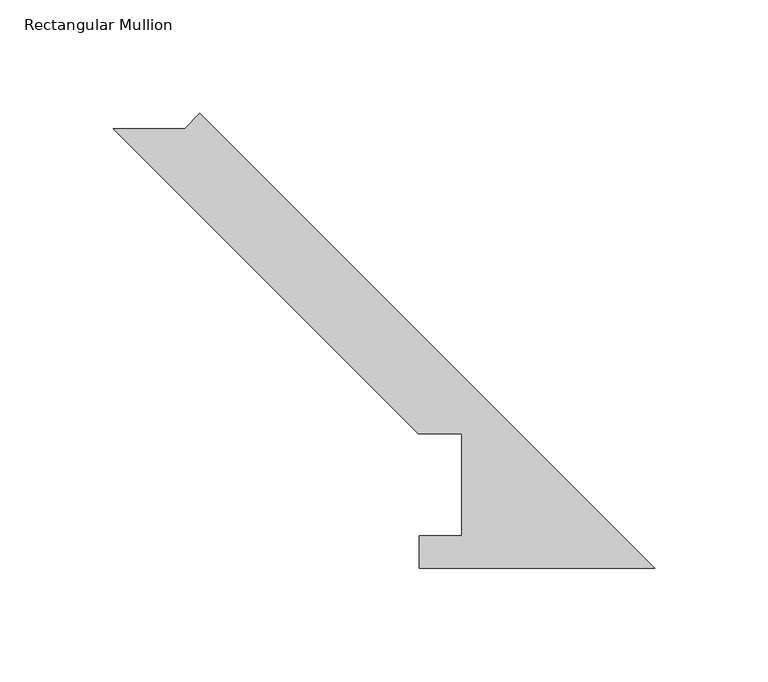
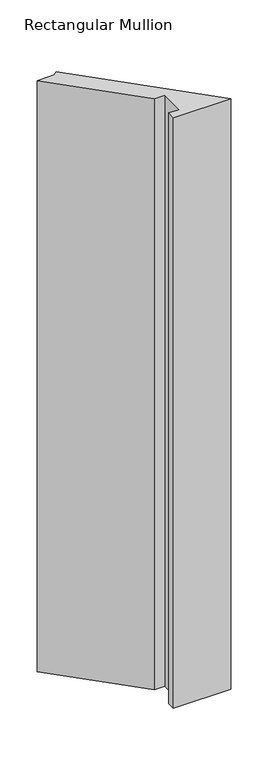
"""IFC4 building model written with IfcOpenShell, lengths in millimetres: member geometry, Rectangular Mullion."""

from ifc_helpers import new_model, si_unit, frame, origin, place, context, project, spatial, polyline, outline, extrude, source, transform, mapped, element, save


def rectangular_mullion_5f35a14f(model_context):
    return source(origin(), model_context, "Body", "SweptSolid", [
        extrude(outline(polyline([(0.0, 0.186986), (-103.8932205, 0.186986), (-103.8932205, 14.436386), (-85.1955446, 14.436386), (-85.1955446, 59.53125), (-104.2455446, 59.53125), (-238.7697813, 194.0554867), (-207.3388849, 194.0554867), (-200.6036928, 200.7906788), (0.0, 0.186986)])), frame((0.0, 0.0, -1130.3), z_axis=(0.0, 0.0, 1.0), x_axis=(1.0, 0.0, 0.0)), (0.0, 0.0, 1.0), 1130.3),
    ])


if __name__ == "__main__":
    model = new_model("IFC4")
    model_context = context("Model", 3, world=origin())
    ifc_project = project(units=[si_unit("LENGTHUNIT", "METRE", prefix="MILLI")], contexts=[model_context])
    site = spatial("IfcSite", under=ifc_project)
    building = spatial("IfcBuilding", under=site)
    placement = place(None, origin())
    rectangular_mullion_shape = rectangular_mullion_5f35a14f(model_context)
    element("IfcMember", 1, ObjectType="Rectangular Mullion", at=placement, inside=building, context=model_context, shape_type="MappedRepresentation", body=[
        mapped(rectangular_mullion_shape, transform((0.0, 0.0, 0.0), x_axis=(1.0, 0.0, 0.0), y_axis=(0.0, 1.0, 0.0), z_axis=(0.0, 0.0, 1.0))),
    ])
    save(model, "model.ifc")
